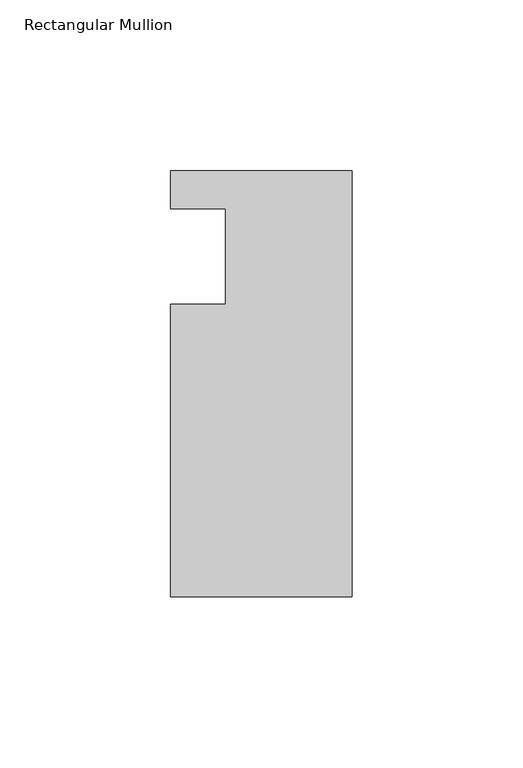
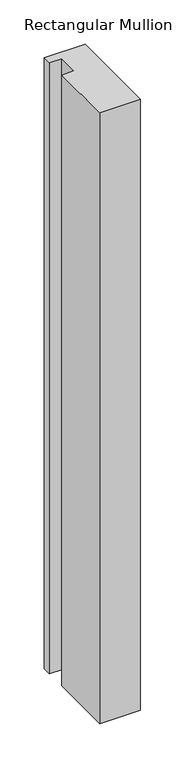
"""IFC4 building model written with IfcOpenShell, lengths in millimetres: member geometry, Rectangular Mullion."""

from ifc_helpers import new_model, si_unit, frame, origin, place, context, project, spatial, polyline, outline, extrude, source, transform, mapped, element, save


def rectangular_mullion_9639a6c2(model_context):
    return source(origin(), model_context, "Body", "SweptSolid", [
        extrude(outline(polyline([(-37.0, 13.9999453), (-53.0, 13.9999453), (-53.0, 24.9999453), (0.0, 24.9999453), (0.0, -99.5000547), (-53.0, -99.5000547), (-53.0, -14.0000547), (-37.0, -14.0000547), (-37.0, 13.9999453)])), frame((0.0, 0.0, -840.6534772), z_axis=(0.0, 0.0, 1.0), x_axis=(1.0, 0.0, 0.0)), (0.0, 0.0, 1.0), 840.6534772),
    ])


if __name__ == "__main__":
    model = new_model("IFC4")
    model_context = context("Model", 3, world=origin())
    ifc_project = project(units=[si_unit("LENGTHUNIT", "METRE", prefix="MILLI")], contexts=[model_context])
    site = spatial("IfcSite", under=ifc_project)
    building = spatial("IfcBuilding", under=site)
    placement = place(None, origin())
    rectangular_mullion_shape = rectangular_mullion_9639a6c2(model_context)
    element("IfcMember", 1, ObjectType="Rectangular Mullion", at=placement, inside=building, context=model_context, shape_type="MappedRepresentation", body=[
        mapped(rectangular_mullion_shape, transform((0.0, 0.0, 0.0), x_axis=(1.0, 0.0, 0.0), y_axis=(0.0, 1.0, 0.0), z_axis=(0.0, 0.0, 1.0))),
    ])
    save(model, "model.ifc")
